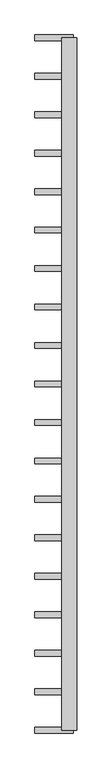
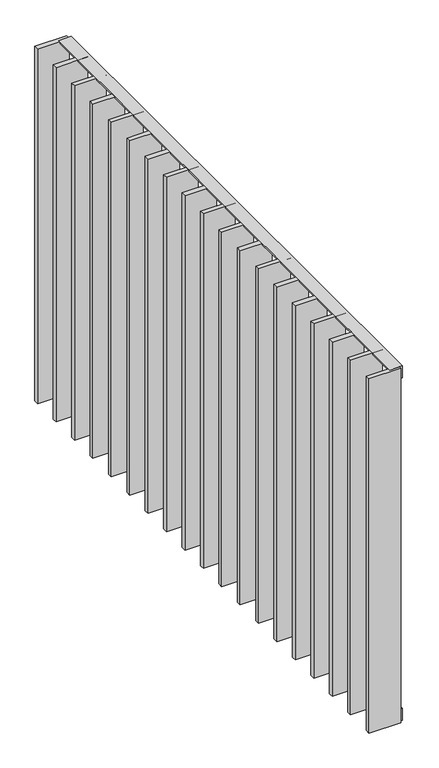
"""IFC4 building model written with IfcOpenShell, lengths in millimetres: railing geometry."""

from ifc_helpers import new_model, si_unit, frame, origin, place, context, project, spatial, polyline, outline, extrude, source, transform, mapped, element, save


def railing_be7597e9(model_context):
    return source(origin(), model_context, "Body", "SweptSolid", [
        extrude(outline(polyline([(-6.0, 14.0), (-40.0, 14.0), (-40.0, 20.0), (0.0, 20.0), (0.0, -20.0), (-6.0, -20.0), (-6.0, 14.0)])), frame((42559.5112064, 28991.429446, 8000.0), z_axis=(2.560591885846901e-12, 1.0, 0.0), x_axis=(0.0, 0.0, 1.0)), (0.0, 0.0, 1.0), 1810.0),
        extrude(outline(polyline([(6.0, 14.0), (6.0, -20.0), (0.0, -20.0), (0.0, 20.0), (40.0, 20.0), (40.0, 14.0), (6.0, 14.0)])), frame((42559.5112064, 28991.429446, 6820.0), z_axis=(2.560591885846901e-12, 1.0, 0.0), x_axis=(0.0, 0.0, 1.0)), (0.0, 0.0, 1.0), 1810.0),
        extrude(outline(polyline([(42569.5112064, 30693.3738904), (42469.5112064, 30693.3738904), (42469.5112064, 30708.3738904), (42569.5112064, 30708.3738904), (42569.5112064, 30693.3738904)])), frame((0.0, 0.0, 6819.9), z_axis=(0.0, 0.0, 1.0), x_axis=(1.0, 0.0, 0.0)), (0.0, 0.0, 1.0), 1180.2),
        extrude(outline(polyline([(42569.5112064, 30592.8183349), (42469.5112064, 30592.8183349), (42469.5112064, 30607.8183349), (42569.5112064, 30607.8183349), (42569.5112064, 30592.8183349)])), frame((0.0, 0.0, 6819.9), z_axis=(0.0, 0.0, 1.0), x_axis=(1.0, 0.0, 0.0)), (0.0, 0.0, 1.0), 1180.2),
        extrude(outline(polyline([(42569.5112064, 30492.2627793), (42469.5112064, 30492.2627793), (42469.5112064, 30507.2627793), (42569.5112064, 30507.2627793), (42569.5112064, 30492.2627793)])), frame((0.0, 0.0, 6819.9), z_axis=(0.0, 0.0, 1.0), x_axis=(1.0, 0.0, 0.0)), (0.0, 0.0, 1.0), 1180.2),
        extrude(outline(polyline([(42569.5112064, 30391.7072238), (42469.5112064, 30391.7072238), (42469.5112064, 30406.7072238), (42569.5112064, 30406.7072238), (42569.5112064, 30391.7072238)])), frame((0.0, 0.0, 6819.9), z_axis=(0.0, 0.0, 1.0), x_axis=(1.0, 0.0, 0.0)), (0.0, 0.0, 1.0), 1180.2),
        extrude(outline(polyline([(42569.5112064, 30291.1516682), (42469.5112064, 30291.1516682), (42469.5112064, 30306.1516682), (42569.5112064, 30306.1516682), (42569.5112064, 30291.1516682)])), frame((0.0, 0.0, 6819.9), z_axis=(0.0, 0.0, 1.0), x_axis=(1.0, 0.0, 0.0)), (0.0, 0.0, 1.0), 1180.2),
        extrude(outline(polyline([(42569.5112064, 30190.5961127), (42469.5112064, 30190.5961127), (42469.5112064, 30205.5961127), (42569.5112064, 30205.5961127), (42569.5112064, 30190.5961127)])), frame((0.0, 0.0, 6819.9), z_axis=(0.0, 0.0, 1.0), x_axis=(1.0, 0.0, 0.0)), (0.0, 0.0, 1.0), 1180.2),
        extrude(outline(polyline([(42569.5112064, 30090.0405571), (42469.5112064, 30090.0405571), (42469.5112064, 30105.0405571), (42569.5112064, 30105.0405571), (42569.5112064, 30090.0405571)])), frame((0.0, 0.0, 6819.9), z_axis=(0.0, 0.0, 1.0), x_axis=(1.0, 0.0, 0.0)), (0.0, 0.0, 1.0), 1180.2),
        extrude(outline(polyline([(42569.5112064, 29989.4850015), (42469.5112064, 29989.4850015), (42469.5112064, 30004.4850015), (42569.5112064, 30004.4850015), (42569.5112064, 29989.4850015)])), frame((0.0, 0.0, 6819.9), z_axis=(0.0, 0.0, 1.0), x_axis=(1.0, 0.0, 0.0)), (0.0, 0.0, 1.0), 1180.2),
        extrude(outline(polyline([(42569.5112064, 29888.929446), (42469.5112064, 29888.929446), (42469.5112064, 29903.929446), (42569.5112064, 29903.929446), (42569.5112064, 29888.929446)])), frame((0.0, 0.0, 6819.9), z_axis=(0.0, 0.0, 1.0), x_axis=(1.0, 0.0, 0.0)), (0.0, 0.0, 1.0), 1180.2),
        extrude(outline(polyline([(42569.5112064, 29788.3738904), (42469.5112064, 29788.3738904), (42469.5112064, 29803.3738904), (42569.5112064, 29803.3738904), (42569.5112064, 29788.3738904)])), frame((0.0, 0.0, 6819.9), z_axis=(0.0, 0.0, 1.0), x_axis=(1.0, 0.0, 0.0)), (0.0, 0.0, 1.0), 1180.2),
        extrude(outline(polyline([(42569.5112064, 29687.8183349), (42469.5112064, 29687.8183349), (42469.5112064, 29702.8183349), (42569.5112064, 29702.8183349), (42569.5112064, 29687.8183349)])), frame((0.0, 0.0, 6819.9), z_axis=(0.0, 0.0, 1.0), x_axis=(1.0, 0.0, 0.0)), (0.0, 0.0, 1.0), 1180.2),
        extrude(outline(polyline([(42569.5112064, 29587.2627793), (42469.5112064, 29587.2627793), (42469.5112064, 29602.2627793), (42569.5112064, 29602.2627793), (42569.5112064, 29587.2627793)])), frame((0.0, 0.0, 6819.9), z_axis=(0.0, 0.0, 1.0), x_axis=(1.0, 0.0, 0.0)), (0.0, 0.0, 1.0), 1180.2),
        extrude(outline(polyline([(42569.5112064, 29486.7072238), (42469.5112064, 29486.7072238), (42469.5112064, 29501.7072238), (42569.5112064, 29501.7072238), (42569.5112064, 29486.7072238)])), frame((0.0, 0.0, 6819.9), z_axis=(0.0, 0.0, 1.0), x_axis=(1.0, 0.0, 0.0)), (0.0, 0.0, 1.0), 1180.2),
        extrude(outline(polyline([(42569.5112064, 29386.1516682), (42469.5112064, 29386.1516682), (42469.5112064, 29401.1516682), (42569.5112064, 29401.1516682), (42569.5112064, 29386.1516682)])), frame((0.0, 0.0, 6819.9), z_axis=(0.0, 0.0, 1.0), x_axis=(1.0, 0.0, 0.0)), (0.0, 0.0, 1.0), 1180.2),
        extrude(outline(polyline([(42569.5112064, 29285.5961127), (42469.5112064, 29285.5961127), (42469.5112064, 29300.5961127), (42569.5112064, 29300.5961127), (42569.5112064, 29285.5961127)])), frame((0.0, 0.0, 6819.9), z_axis=(0.0, 0.0, 1.0), x_axis=(1.0, 0.0, 0.0)), (0.0, 0.0, 1.0), 1180.2),
        extrude(outline(polyline([(42569.5112064, 29185.0405571), (42469.5112064, 29185.0405571), (42469.5112064, 29200.0405571), (42569.5112064, 29200.0405571), (42569.5112064, 29185.0405571)])), frame((0.0, 0.0, 6819.9), z_axis=(0.0, 0.0, 1.0), x_axis=(1.0, 0.0, 0.0)), (0.0, 0.0, 1.0), 1180.2),
        extrude(outline(polyline([(42569.5112064, 29084.4850015), (42469.5112064, 29084.4850015), (42469.5112064, 29099.4850015), (42569.5112064, 29099.4850015), (42569.5112064, 29084.4850015)])), frame((0.0, 0.0, 6819.9), z_axis=(0.0, 0.0, 1.0), x_axis=(1.0, 0.0, 0.0)), (0.0, 0.0, 1.0), 1180.2),
        extrude(outline(polyline([(42569.5112064, 30793.929446), (42469.5112064, 30793.929446), (42469.5112064, 30808.929446), (42569.5112064, 30808.929446), (42569.5112064, 30793.929446)])), frame((0.0, 0.0, 6819.9), z_axis=(0.0, 0.0, 1.0), x_axis=(1.0, 0.0, 0.0)), (0.0, 0.0, 1.0), 1180.2),
        extrude(outline(polyline([(42569.5112064, 28983.929446), (42469.5112064, 28983.929446), (42469.5112064, 28998.929446), (42569.5112064, 28998.929446), (42569.5112064, 28983.929446)])), frame((0.0, 0.0, 6819.9), z_axis=(0.0, 0.0, 1.0), x_axis=(1.0, 0.0, 0.0)), (0.0, 0.0, 1.0), 1180.2),
    ])


if __name__ == "__main__":
    model = new_model("IFC4")
    model_context = context("Model", 3, world=origin())
    ifc_project = project(units=[si_unit("LENGTHUNIT", "METRE", prefix="MILLI")], contexts=[model_context])
    site = spatial("IfcSite", under=ifc_project)
    building = spatial("IfcBuilding", under=site)
    placement = place(None, origin())
    railing_shape = railing_be7597e9(model_context)
    element("IfcRailing", 1, at=placement, inside=building, context=model_context, shape_type="MappedRepresentation", body=[
        mapped(railing_shape, transform((0.0, 0.0, 0.0), x_axis=(1.0, 0.0, 0.0), y_axis=(0.0, 1.0, 0.0), z_axis=(0.0, 0.0, 1.0))),
    ])
    save(model, "model.ifc")
